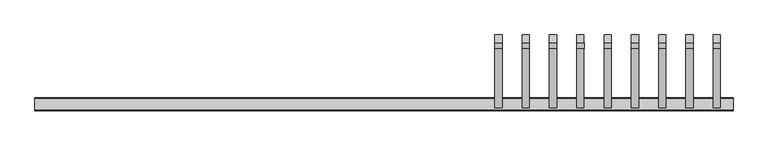
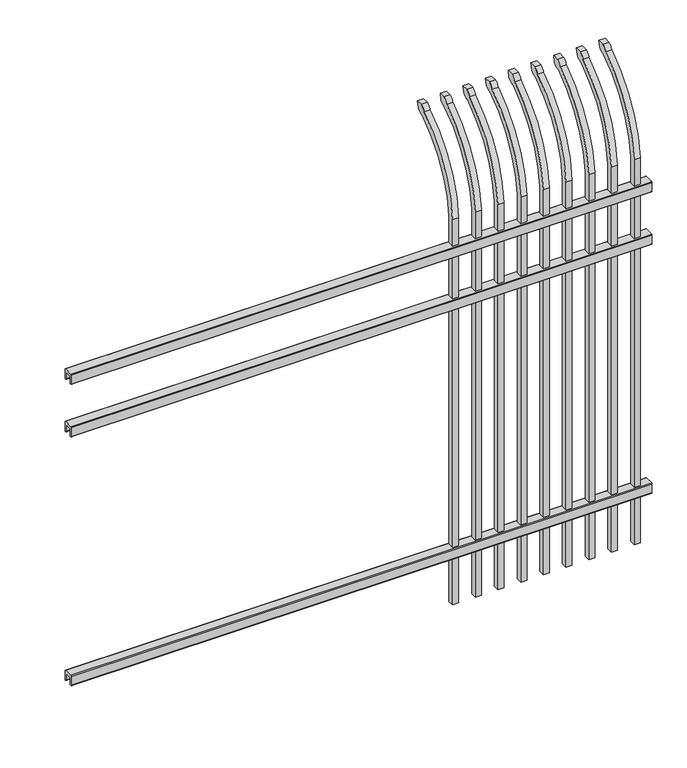
"""IFC4 building model written with IfcOpenShell, lengths in millimetres: railing geometry."""

from ifc_helpers import new_model, si_unit, point, frame, frame_2d, origin, place, context, project, spatial, polyline, circle_curve, ellipse_curve, trimmed, segment, composite_curve, outline, extrude, source, transform, mapped, element, save
from ifc_brep_helpers import plane_surface, cylinder_surface, revolved_surface, extruded_surface, advanced_brep


def railing_a6bd6695(model_context):
    return source(origin(), model_context, "Body", "SolidModel", [
        extrude(outline(composite_curve([segment(polyline([(13397.9139761, 304.8), (13435.969541, 304.8)]), True, "CONTINUOUS"), segment(trimmed(circle_curve(frame_2d((13435.969541, 301.625)), 3.175), [point((13435.969541, 304.8))], [point((13439.144541, 301.625))], False, "CARTESIAN"), True, "CONTINUOUS"), segment(polyline([(13439.144541, 301.625), (13439.144541, 262.1439893)]), True, "CONTINUOUS"), segment(trimmed(circle_curve(frame_2d((13437.3505518, 262.1439893)), 1.7939893), [point((13439.144541, 262.1439893))], [point((13437.3505518, 260.35))], False, "CARTESIAN"), True, "CONTINUOUS"), segment(polyline([(13437.3505518, 260.35), (13434.7590713, 260.35)]), True, "CONTINUOUS"), segment(trimmed(circle_curve(frame_2d((13434.7590713, 262.1359375)), 1.7859375), [point((13434.7590713, 260.35))], [point((13432.9755813, 262.0424688))], False, "CARTESIAN"), True, "CONTINUOUS"), segment(polyline([(13432.9755813, 262.0424688), (13431.4025867, 292.0569942), (13402.4364954, 292.0569942), (13400.8635007, 262.0424688)]), True, "CONTINUOUS"), segment(trimmed(circle_curve(frame_2d((13399.0800108, 262.1359375)), 1.7859375), [point((13400.8635007, 262.0424688))], [point((13399.0800108, 260.35))], False, "CARTESIAN"), True, "CONTINUOUS"), segment(polyline([(13399.0800108, 260.35), (13396.4804785, 260.35)]), True, "CONTINUOUS"), segment(trimmed(circle_curve(frame_2d((13396.4804785, 262.1359375)), 1.7859375), [point((13396.4804785, 260.35))], [point((13394.694541, 262.1359375))], False, "CARTESIAN"), True, "CONTINUOUS"), segment(polyline([(13394.694541, 262.1359375), (13394.694541, 301.5805649)]), True, "CONTINUOUS"), segment(trimmed(circle_curve(frame_2d((13397.9139761, 301.5805649)), 3.2194351), [point((13394.694541, 301.5805649))], [point((13397.9139761, 304.8))], False, "CARTESIAN"), True, "CONTINUOUS")], self_intersect=False)), frame((24591.7350064, 0.0, 0.0), z_axis=(1.0, 0.0, 0.0), x_axis=(0.0, 1.0, 0.0)), (0.0, 0.0, 1.0), 2438.4),
        extrude(outline(composite_curve([segment(polyline([(13397.9139761, 1408.1125), (13435.969541, 1408.1125)]), True, "CONTINUOUS"), segment(trimmed(circle_curve(frame_2d((13435.969541, 1404.9375)), 3.175), [point((13435.969541, 1408.1125))], [point((13439.144541, 1404.9375))], False, "CARTESIAN"), True, "CONTINUOUS"), segment(polyline([(13439.144541, 1404.9375), (13439.144541, 1365.4564893)]), True, "CONTINUOUS"), segment(trimmed(circle_curve(frame_2d((13437.3505518, 1365.4564893)), 1.7939893), [point((13439.144541, 1365.4564893))], [point((13437.3505518, 1363.6625))], False, "CARTESIAN"), True, "CONTINUOUS"), segment(polyline([(13437.3505518, 1363.6625), (13434.7590713, 1363.6625)]), True, "CONTINUOUS"), segment(trimmed(circle_curve(frame_2d((13434.7590713, 1365.4484375)), 1.7859375), [point((13434.7590713, 1363.6625))], [point((13432.9755813, 1365.3549688))], False, "CARTESIAN"), True, "CONTINUOUS"), segment(polyline([(13432.9755813, 1365.3549688), (13431.4025867, 1395.3694942), (13402.4364954, 1395.3694942), (13400.8635007, 1365.3549688)]), True, "CONTINUOUS"), segment(trimmed(circle_curve(frame_2d((13399.0800108, 1365.4484375)), 1.7859375), [point((13400.8635007, 1365.3549688))], [point((13399.0800108, 1363.6625))], False, "CARTESIAN"), True, "CONTINUOUS"), segment(polyline([(13399.0800108, 1363.6625), (13396.4804785, 1363.6625)]), True, "CONTINUOUS"), segment(trimmed(circle_curve(frame_2d((13396.4804785, 1365.4484375)), 1.7859375), [point((13396.4804785, 1363.6625))], [point((13394.694541, 1365.4484375))], False, "CARTESIAN"), True, "CONTINUOUS"), segment(polyline([(13394.694541, 1365.4484375), (13394.694541, 1404.8930649)]), True, "CONTINUOUS"), segment(trimmed(circle_curve(frame_2d((13397.9139761, 1404.8930649)), 3.2194351), [point((13394.694541, 1404.8930649))], [point((13397.9139761, 1408.1125))], False, "CARTESIAN"), True, "CONTINUOUS")], self_intersect=False)), frame((24591.7350064, 0.0, 0.0), z_axis=(1.0, 0.0, 0.0), x_axis=(0.0, 1.0, 0.0)), (0.0, 0.0, 1.0), 2438.4),
        extrude(outline(composite_curve([segment(polyline([(13397.9139761, 1641.475), (13435.969541, 1641.475)]), True, "CONTINUOUS"), segment(trimmed(circle_curve(frame_2d((13435.969541, 1638.3)), 3.175), [point((13435.969541, 1641.475))], [point((13439.144541, 1638.3))], False, "CARTESIAN"), True, "CONTINUOUS"), segment(polyline([(13439.144541, 1638.3), (13439.144541, 1598.8189893)]), True, "CONTINUOUS"), segment(trimmed(circle_curve(frame_2d((13437.3505518, 1598.8189893)), 1.7939893), [point((13439.144541, 1598.8189893))], [point((13437.3505518, 1597.025))], False, "CARTESIAN"), True, "CONTINUOUS"), segment(polyline([(13437.3505518, 1597.025), (13434.7590713, 1597.025)]), True, "CONTINUOUS"), segment(trimmed(circle_curve(frame_2d((13434.7590713, 1598.8109375)), 1.7859375), [point((13434.7590713, 1597.025))], [point((13432.9755813, 1598.7174688))], False, "CARTESIAN"), True, "CONTINUOUS"), segment(polyline([(13432.9755813, 1598.7174688), (13431.4025867, 1628.7319942), (13402.4364954, 1628.7319942), (13400.8635007, 1598.7174688)]), True, "CONTINUOUS"), segment(trimmed(circle_curve(frame_2d((13399.0800108, 1598.8109375)), 1.7859375), [point((13400.8635007, 1598.7174688))], [point((13399.0800108, 1597.025))], False, "CARTESIAN"), True, "CONTINUOUS"), segment(polyline([(13399.0800108, 1597.025), (13396.4804785, 1597.025)]), True, "CONTINUOUS"), segment(trimmed(circle_curve(frame_2d((13396.4804785, 1598.8109375)), 1.7859375), [point((13396.4804785, 1597.025))], [point((13394.694541, 1598.8109375))], False, "CARTESIAN"), True, "CONTINUOUS"), segment(polyline([(13394.694541, 1598.8109375), (13394.694541, 1638.2555649)]), True, "CONTINUOUS"), segment(trimmed(circle_curve(frame_2d((13397.9139761, 1638.2555649)), 3.2194351), [point((13394.694541, 1638.2555649))], [point((13397.9139761, 1641.475))], False, "CARTESIAN"), True, "CONTINUOUS")], self_intersect=False)), frame((24591.7350064, 0.0, 0.0), z_axis=(1.0, 0.0, 0.0), x_axis=(0.0, 1.0, 0.0)), (0.0, 0.0, 1.0), 2438.4),
        advanced_brep(
        [(26985.6850064, 13429.619541, 50.8), (26985.6850064, 13429.619541, 1759.1226889), (26985.6850064, 13626.7326851, 2091.3022378), (26985.6850064, 13653.2407099, 2105.9867549), (26985.6850064, 13659.1100864, 2133.6), (26985.6850064, 13630.8799449, 2133.6), (26985.6850064, 13611.4931591, 2112.6682561), (26985.6850064, 13404.219541, 1759.1226889), (26985.6850064, 13404.219541, 50.8), (26960.2850064, 13429.619541, 50.8), (26960.2850064, 13429.619541, 1759.1226889), (26960.2850064, 13404.219541, 1759.1226889), (26960.2850064, 13404.219541, 50.8), (26960.2850064, 13611.4931591, 2112.6682561), (26960.2850064, 13630.8799449, 2133.6), (26960.2850064, 13659.1100864, 2133.6), (26960.2850064, 13653.2407099, 2105.9867549), (26960.2850064, 13626.7326851, 2091.3022378)],
        [
            (0, 1),
            (1, 2, circle_curve(frame((26985.6850064, 13866.9874207, 1724.1640776), z_axis=(-1.0, 0.0, 0.0), x_axis=(0.0, 1.0, 0.0)), 438.7627681)),
            (2, 3, ellipse_curve(frame((26985.6850064, 13634.5579376, 2113.7180619), z_axis=(1.0, 0.0, 0.0), x_axis=(0.0, -0.7771459614569761, -0.6293203910498311)), 26.7460194, 19.05)),
            (3, 4),
            (4, 5),
            (5, 6, ellipse_curve(frame((26985.6850064, 13634.5579376, 2113.7180619), z_axis=(0.9999999999999999, 0.0, 0.0), x_axis=(0.0, -0.7771459614569769, -0.62932039104983)), 26.7460194, 19.05)),
            (6, 7, circle_curve(frame((26985.6850064, 13866.0333244, 1725.9065933), z_axis=(1.0, 0.0, 0.0), x_axis=(0.0, 1.0, 0.0)), 463.0067812)),
            (7, 8),
            (8, 0),
            (0, 9),
            (9, 10),
            (10, 1),
            (7, 11),
            (11, 12),
            (12, 8),
            (12, 9),
            (11, 13, circle_curve(frame((26960.2850064, 13866.0333244, 1725.9065933), z_axis=(-1.0, 0.0, 0.0), x_axis=(0.0, 1.0, 0.0)), 463.0067812)),
            (13, 14, ellipse_curve(frame((26960.2850064, 13634.5579376, 2113.7180619), z_axis=(-0.9999999999999999, 0.0, 0.0), x_axis=(0.0, -0.7771459614569769, -0.62932039104983)), 26.7460194, 19.05)),
            (14, 15),
            (15, 16),
            (16, 17, ellipse_curve(frame((26960.2850064, 13634.5579376, 2113.7180619), z_axis=(-1.0, 0.0, 0.0), x_axis=(0.0, -0.7771459614569761, -0.6293203910498311)), 26.7460194, 19.05)),
            (17, 10, circle_curve(frame((26960.2850064, 13866.9874207, 1724.1640776), z_axis=(1.0, 0.0, 0.0), x_axis=(0.0, 1.0, 0.0)), 438.7627681)),
            (17, 2),
            (16, 3),
            (15, 4),
            (14, 5),
            (13, 6),
        ],
        [
            plane_surface(frame((26985.6850064, 13429.619541, 50.8), z_axis=(1.0, 0.0, 0.0), x_axis=(0.0, 0.0, 1.0))),
            plane_surface(frame((26985.6850064, 13429.619541, 50.8), z_axis=(0.0, 1.0, 0.0), x_axis=(-1.0, 0.0, 0.0))),
            plane_surface(frame((26985.6850064, 13404.219541, 1759.1226889), z_axis=(0.0, -1.0, 0.0), x_axis=(-1.0, 0.0, 0.0))),
            plane_surface(frame((26985.6850064, 13404.219541, 50.8), z_axis=(0.0, 0.0, -1.0), x_axis=(-1.0, 0.0, 0.0))),
            plane_surface(frame((26960.2850064, 13429.619541, 50.8), z_axis=(-1.0, 0.0, 0.0), x_axis=(0.0, 0.0, -1.0))),
            revolved_surface(polyline([(26960.2850064, 14305.750188799999, 1724.1640776), (26985.6850064, 14305.750188799999, 1724.1640776)]), (26960.2850064, 13866.9874207, 1724.1640776), (-1.0, 0.0, 0.0)),
            extruded_surface(trimmed(ellipse_curve(frame((26934.8850064, 13634.5579376, 2113.7180619), z_axis=(1.0, 0.0, 0.0), x_axis=(0.0, -0.7771459614569761, -0.6293203910498311)), 26.7460194, 19.05), [point((26934.8850064, 13626.7326851, 2091.3022378))], [point((26934.8850064, 13653.2407099, 2105.9867549))], True, "CARTESIAN"), (25.400000000001455, 0.0, 0.0), 25.400000000001455),
            plane_surface(frame((26985.6850064, 13653.2407099, 2105.9867549), z_axis=(0.0, 0.9781476007338014, -0.20791169081777983), x_axis=(-1.0, 0.0, 0.0))),
            plane_surface(frame((26985.6850064, 13659.1100864, 2133.6), z_axis=(0.0, 0.0, 1.0), x_axis=(-1.0, 0.0, 0.0))),
            extruded_surface(trimmed(ellipse_curve(frame((26934.8850064, 13634.5579376, 2113.7180619), z_axis=(0.9999999999999999, 0.0, 0.0), x_axis=(0.0, -0.7771459614569769, -0.62932039104983)), 26.7460194, 19.05), [point((26934.8850064, 13630.8799449, 2133.6))], [point((26934.8850064, 13611.4931591, 2112.6682561))], True, "CARTESIAN"), (25.400000000001455, 0.0, 0.0), 25.400000000001455),
            cylinder_surface(frame((26960.2850064, 13866.0333244, 1725.9065933), z_axis=(1.0, 0.0, 0.0), x_axis=(0.0, 1.0, 0.0)), 463.0067812),
        ],
        [
            (0, [[1, 2, 3, 4, 5, 6, 7, 8, 9]]),
            (1, [[-1, 10, 11, 12]]),
            (2, [[-8, 13, 14, 15]]),
            (3, [[-9, -15, 16, -10]]),
            (4, [[-16, -14, 17, 18, 19, 20, 21, 22, -11]]),
            (5, [[-2, -12, -22, 23]]),
            (6, [[-3, -23, -21, 24]]),
            (7, [[-4, -24, -20, 25]]),
            (8, [[-5, -25, -19, 26]]),
            (9, [[-6, -26, -18, 27]]),
            (10, [[-7, -27, -17, -13]]),
        ],
    ),
        advanced_brep(
        [(26890.4350064, 13429.619541, 50.8), (26890.4350064, 13429.619541, 1759.1226889), (26890.4350064, 13626.7326851, 2091.3022378), (26890.4350064, 13653.2407099, 2105.9867549), (26890.4350064, 13659.1100864, 2133.6), (26890.4350064, 13630.8799449, 2133.6), (26890.4350064, 13611.4931591, 2112.6682561), (26890.4350064, 13404.219541, 1759.1226889), (26890.4350064, 13404.219541, 50.8), (26865.0350064, 13429.619541, 50.8), (26865.0350064, 13429.619541, 1759.1226889), (26865.0350064, 13404.219541, 1759.1226889), (26865.0350064, 13404.219541, 50.8), (26865.0350064, 13611.4931591, 2112.6682561), (26865.0350064, 13630.8799449, 2133.6), (26865.0350064, 13659.1100864, 2133.6), (26865.0350064, 13653.2407099, 2105.9867549), (26865.0350064, 13626.7326851, 2091.3022378)],
        [
            (0, 1),
            (1, 2, circle_curve(frame((26890.4350064, 13866.9874207, 1724.1640776), z_axis=(-1.0, 0.0, 0.0), x_axis=(0.0, 1.0, 0.0)), 438.7627681)),
            (2, 3, ellipse_curve(frame((26890.4350064, 13634.5579376, 2113.7180619), z_axis=(1.0, 0.0, 0.0), x_axis=(0.0, -0.7771459614569761, -0.6293203910498311)), 26.7460194, 19.05)),
            (3, 4),
            (4, 5),
            (5, 6, ellipse_curve(frame((26890.4350064, 13634.5579376, 2113.7180619), z_axis=(0.9999999999999999, 0.0, 0.0), x_axis=(0.0, -0.7771459614569769, -0.62932039104983)), 26.7460194, 19.05)),
            (6, 7, circle_curve(frame((26890.4350064, 13866.0333244, 1725.9065933), z_axis=(1.0, 0.0, 0.0), x_axis=(0.0, 1.0, 0.0)), 463.0067812)),
            (7, 8),
            (8, 0),
            (0, 9),
            (9, 10),
            (10, 1),
            (7, 11),
            (11, 12),
            (12, 8),
            (12, 9),
            (11, 13, circle_curve(frame((26865.0350064, 13866.0333244, 1725.9065933), z_axis=(-1.0, 0.0, 0.0), x_axis=(0.0, 1.0, 0.0)), 463.0067812)),
            (13, 14, ellipse_curve(frame((26865.0350064, 13634.5579376, 2113.7180619), z_axis=(-0.9999999999999999, 0.0, 0.0), x_axis=(0.0, -0.7771459614569769, -0.62932039104983)), 26.7460194, 19.05)),
            (14, 15),
            (15, 16),
            (16, 17, ellipse_curve(frame((26865.0350064, 13634.5579376, 2113.7180619), z_axis=(-1.0, 0.0, 0.0), x_axis=(0.0, -0.7771459614569761, -0.6293203910498311)), 26.7460194, 19.05)),
            (17, 10, circle_curve(frame((26865.0350064, 13866.9874207, 1724.1640776), z_axis=(1.0, 0.0, 0.0), x_axis=(0.0, 1.0, 0.0)), 438.7627681)),
            (17, 2),
            (16, 3),
            (15, 4),
            (14, 5),
            (13, 6),
        ],
        [
            plane_surface(frame((26890.4350064, 13429.619541, 50.8), z_axis=(1.0, 0.0, 0.0), x_axis=(0.0, 0.0, 1.0))),
            plane_surface(frame((26890.4350064, 13429.619541, 50.8), z_axis=(0.0, 1.0, 0.0), x_axis=(-1.0, 0.0, 0.0))),
            plane_surface(frame((26890.4350064, 13404.219541, 1759.1226889), z_axis=(0.0, -1.0, 0.0), x_axis=(-1.0, 0.0, 0.0))),
            plane_surface(frame((26890.4350064, 13404.219541, 50.8), z_axis=(0.0, 0.0, -1.0), x_axis=(-1.0, 0.0, 0.0))),
            plane_surface(frame((26865.0350064, 13429.619541, 50.8), z_axis=(-1.0, 0.0, 0.0), x_axis=(0.0, 0.0, -1.0))),
            revolved_surface(polyline([(26865.0350064, 14305.750188799999, 1724.1640776), (26890.4350064, 14305.750188799999, 1724.1640776)]), (26865.0350064, 13866.9874207, 1724.1640776), (-1.0, 0.0, 0.0)),
            extruded_surface(trimmed(ellipse_curve(frame((26839.6350064, 13634.5579376, 2113.7180619), z_axis=(1.0, 0.0, 0.0), x_axis=(0.0, -0.7771459614569761, -0.6293203910498311)), 26.7460194, 19.05), [point((26839.6350064, 13626.7326851, 2091.3022378))], [point((26839.6350064, 13653.2407099, 2105.9867549))], True, "CARTESIAN"), (25.400000000001455, 0.0, 0.0), 25.400000000001455),
            plane_surface(frame((26890.4350064, 13653.2407099, 2105.9867549), z_axis=(0.0, 0.9781476007338014, -0.20791169081777983), x_axis=(-1.0, 0.0, 0.0))),
            plane_surface(frame((26890.4350064, 13659.1100864, 2133.6), z_axis=(0.0, 0.0, 1.0), x_axis=(-1.0, 0.0, 0.0))),
            extruded_surface(trimmed(ellipse_curve(frame((26839.6350064, 13634.5579376, 2113.7180619), z_axis=(0.9999999999999999, 0.0, 0.0), x_axis=(0.0, -0.7771459614569769, -0.62932039104983)), 26.7460194, 19.05), [point((26839.6350064, 13630.8799449, 2133.6))], [point((26839.6350064, 13611.4931591, 2112.6682561))], True, "CARTESIAN"), (25.400000000001455, 0.0, 0.0), 25.400000000001455),
            cylinder_surface(frame((26865.0350064, 13866.0333244, 1725.9065933), z_axis=(1.0, 0.0, 0.0), x_axis=(0.0, 1.0, 0.0)), 463.0067812),
        ],
        [
            (0, [[1, 2, 3, 4, 5, 6, 7, 8, 9]]),
            (1, [[-1, 10, 11, 12]]),
            (2, [[-8, 13, 14, 15]]),
            (3, [[-9, -15, 16, -10]]),
            (4, [[-16, -14, 17, 18, 19, 20, 21, 22, -11]]),
            (5, [[-2, -12, -22, 23]]),
            (6, [[-3, -23, -21, 24]]),
            (7, [[-4, -24, -20, 25]]),
            (8, [[-5, -25, -19, 26]]),
            (9, [[-6, -26, -18, 27]]),
            (10, [[-7, -27, -17, -13]]),
        ],
    ),
        advanced_brep(
        [(26795.1850064, 13429.619541, 50.8), (26795.1850064, 13429.619541, 1759.1226889), (26795.1850064, 13626.7326851, 2091.3022378), (26795.1850064, 13653.2407099, 2105.9867549), (26795.1850064, 13659.1100864, 2133.6), (26795.1850064, 13630.8799449, 2133.6), (26795.1850064, 13611.4931591, 2112.6682561), (26795.1850064, 13404.219541, 1759.1226889), (26795.1850064, 13404.219541, 50.8), (26769.7850064, 13429.619541, 50.8), (26769.7850064, 13429.619541, 1759.1226889), (26769.7850064, 13404.219541, 1759.1226889), (26769.7850064, 13404.219541, 50.8), (26769.7850064, 13611.4931591, 2112.6682561), (26769.7850064, 13630.8799449, 2133.6), (26769.7850064, 13659.1100864, 2133.6), (26769.7850064, 13653.2407099, 2105.9867549), (26769.7850064, 13626.7326851, 2091.3022378)],
        [
            (0, 1),
            (1, 2, circle_curve(frame((26795.1850064, 13866.9874207, 1724.1640776), z_axis=(-1.0, 0.0, 0.0), x_axis=(0.0, 1.0, 0.0)), 438.7627681)),
            (2, 3, ellipse_curve(frame((26795.1850064, 13634.5579376, 2113.7180619), z_axis=(1.0, 0.0, 0.0), x_axis=(0.0, -0.7771459614569761, -0.6293203910498311)), 26.7460194, 19.05)),
            (3, 4),
            (4, 5),
            (5, 6, ellipse_curve(frame((26795.1850064, 13634.5579376, 2113.7180619), z_axis=(0.9999999999999999, 0.0, 0.0), x_axis=(0.0, -0.7771459614569769, -0.62932039104983)), 26.7460194, 19.05)),
            (6, 7, circle_curve(frame((26795.1850064, 13866.0333244, 1725.9065933), z_axis=(1.0, 0.0, 0.0), x_axis=(0.0, 1.0, 0.0)), 463.0067812)),
            (7, 8),
            (8, 0),
            (0, 9),
            (9, 10),
            (10, 1),
            (7, 11),
            (11, 12),
            (12, 8),
            (12, 9),
            (11, 13, circle_curve(frame((26769.7850064, 13866.0333244, 1725.9065933), z_axis=(-1.0, 0.0, 0.0), x_axis=(0.0, 1.0, 0.0)), 463.0067812)),
            (13, 14, ellipse_curve(frame((26769.7850064, 13634.5579376, 2113.7180619), z_axis=(-0.9999999999999999, 0.0, 0.0), x_axis=(0.0, -0.7771459614569769, -0.62932039104983)), 26.7460194, 19.05)),
            (14, 15),
            (15, 16),
            (16, 17, ellipse_curve(frame((26769.7850064, 13634.5579376, 2113.7180619), z_axis=(-1.0, 0.0, 0.0), x_axis=(0.0, -0.7771459614569761, -0.6293203910498311)), 26.7460194, 19.05)),
            (17, 10, circle_curve(frame((26769.7850064, 13866.9874207, 1724.1640776), z_axis=(1.0, 0.0, 0.0), x_axis=(0.0, 1.0, 0.0)), 438.7627681)),
            (17, 2),
            (16, 3),
            (15, 4),
            (14, 5),
            (13, 6),
        ],
        [
            plane_surface(frame((26795.1850064, 13429.619541, 50.8), z_axis=(1.0, 0.0, 0.0), x_axis=(0.0, 0.0, 1.0))),
            plane_surface(frame((26795.1850064, 13429.619541, 50.8), z_axis=(0.0, 1.0, 0.0), x_axis=(-1.0, 0.0, 0.0))),
            plane_surface(frame((26795.1850064, 13404.219541, 1759.1226889), z_axis=(0.0, -1.0, 0.0), x_axis=(-1.0, 0.0, 0.0))),
            plane_surface(frame((26795.1850064, 13404.219541, 50.8), z_axis=(0.0, 0.0, -1.0), x_axis=(-1.0, 0.0, 0.0))),
            plane_surface(frame((26769.7850064, 13429.619541, 50.8), z_axis=(-1.0, 0.0, 0.0), x_axis=(0.0, 0.0, -1.0))),
            revolved_surface(polyline([(26769.7850064, 14305.750188799999, 1724.1640776), (26795.1850064, 14305.750188799999, 1724.1640776)]), (26769.7850064, 13866.9874207, 1724.1640776), (-1.0, 0.0, 0.0)),
            extruded_surface(trimmed(ellipse_curve(frame((26744.3850064, 13634.5579376, 2113.7180619), z_axis=(1.0, 0.0, 0.0), x_axis=(0.0, -0.7771459614569761, -0.6293203910498311)), 26.7460194, 19.05), [point((26744.3850064, 13626.7326851, 2091.3022378))], [point((26744.3850064, 13653.2407099, 2105.9867549))], True, "CARTESIAN"), (25.400000000001455, 0.0, 0.0), 25.400000000001455),
            plane_surface(frame((26795.1850064, 13653.2407099, 2105.9867549), z_axis=(0.0, 0.9781476007338014, -0.20791169081777983), x_axis=(-1.0, 0.0, 0.0))),
            plane_surface(frame((26795.1850064, 13659.1100864, 2133.6), z_axis=(0.0, 0.0, 1.0), x_axis=(-1.0, 0.0, 0.0))),
            extruded_surface(trimmed(ellipse_curve(frame((26744.3850064, 13634.5579376, 2113.7180619), z_axis=(0.9999999999999999, 0.0, 0.0), x_axis=(0.0, -0.7771459614569769, -0.62932039104983)), 26.7460194, 19.05), [point((26744.3850064, 13630.8799449, 2133.6))], [point((26744.3850064, 13611.4931591, 2112.6682561))], True, "CARTESIAN"), (25.400000000001455, 0.0, 0.0), 25.400000000001455),
            cylinder_surface(frame((26769.7850064, 13866.0333244, 1725.9065933), z_axis=(1.0, 0.0, 0.0), x_axis=(0.0, 1.0, 0.0)), 463.0067812),
        ],
        [
            (0, [[1, 2, 3, 4, 5, 6, 7, 8, 9]]),
            (1, [[-1, 10, 11, 12]]),
            (2, [[-8, 13, 14, 15]]),
            (3, [[-9, -15, 16, -10]]),
            (4, [[-16, -14, 17, 18, 19, 20, 21, 22, -11]]),
            (5, [[-2, -12, -22, 23]]),
            (6, [[-3, -23, -21, 24]]),
            (7, [[-4, -24, -20, 25]]),
            (8, [[-5, -25, -19, 26]]),
            (9, [[-6, -26, -18, 27]]),
            (10, [[-7, -27, -17, -13]]),
        ],
    ),
        advanced_brep(
        [(26699.9350064, 13429.619541, 50.8), (26699.9350064, 13429.619541, 1759.1226889), (26699.9350064, 13626.7326851, 2091.3022378), (26699.9350064, 13653.2407099, 2105.9867549), (26699.9350064, 13659.1100864, 2133.6), (26699.9350064, 13630.8799449, 2133.6), (26699.9350064, 13611.4931591, 2112.6682561), (26699.9350064, 13404.219541, 1759.1226889), (26699.9350064, 13404.219541, 50.8), (26674.5350064, 13429.619541, 50.8), (26674.5350064, 13429.619541, 1759.1226889), (26674.5350064, 13404.219541, 1759.1226889), (26674.5350064, 13404.219541, 50.8), (26674.5350064, 13611.4931591, 2112.6682561), (26674.5350064, 13630.8799449, 2133.6), (26674.5350064, 13659.1100864, 2133.6), (26674.5350064, 13653.2407099, 2105.9867549), (26674.5350064, 13626.7326851, 2091.3022378)],
        [
            (0, 1),
            (1, 2, circle_curve(frame((26699.9350064, 13866.9874207, 1724.1640776), z_axis=(-1.0, 0.0, 0.0), x_axis=(0.0, 1.0, 0.0)), 438.7627681)),
            (2, 3, ellipse_curve(frame((26699.9350064, 13634.5579376, 2113.7180619), z_axis=(1.0, 0.0, 0.0), x_axis=(0.0, -0.7771459614569761, -0.6293203910498311)), 26.7460194, 19.05)),
            (3, 4),
            (4, 5),
            (5, 6, ellipse_curve(frame((26699.9350064, 13634.5579376, 2113.7180619), z_axis=(0.9999999999999999, 0.0, 0.0), x_axis=(0.0, -0.7771459614569769, -0.62932039104983)), 26.7460194, 19.05)),
            (6, 7, circle_curve(frame((26699.9350064, 13866.0333244, 1725.9065933), z_axis=(1.0, 0.0, 0.0), x_axis=(0.0, 1.0, 0.0)), 463.0067812)),
            (7, 8),
            (8, 0),
            (0, 9),
            (9, 10),
            (10, 1),
            (7, 11),
            (11, 12),
            (12, 8),
            (12, 9),
            (11, 13, circle_curve(frame((26674.5350064, 13866.0333244, 1725.9065933), z_axis=(-1.0, 0.0, 0.0), x_axis=(0.0, 1.0, 0.0)), 463.0067812)),
            (13, 14, ellipse_curve(frame((26674.5350064, 13634.5579376, 2113.7180619), z_axis=(-0.9999999999999999, 0.0, 0.0), x_axis=(0.0, -0.7771459614569769, -0.62932039104983)), 26.7460194, 19.05)),
            (14, 15),
            (15, 16),
            (16, 17, ellipse_curve(frame((26674.5350064, 13634.5579376, 2113.7180619), z_axis=(-1.0, 0.0, 0.0), x_axis=(0.0, -0.7771459614569761, -0.6293203910498311)), 26.7460194, 19.05)),
            (17, 10, circle_curve(frame((26674.5350064, 13866.9874207, 1724.1640776), z_axis=(1.0, 0.0, 0.0), x_axis=(0.0, 1.0, 0.0)), 438.7627681)),
            (17, 2),
            (16, 3),
            (15, 4),
            (14, 5),
            (13, 6),
        ],
        [
            plane_surface(frame((26699.9350064, 13429.619541, 50.8), z_axis=(1.0, 0.0, 0.0), x_axis=(0.0, 0.0, 1.0))),
            plane_surface(frame((26699.9350064, 13429.619541, 50.8), z_axis=(0.0, 1.0, 0.0), x_axis=(-1.0, 0.0, 0.0))),
            plane_surface(frame((26699.9350064, 13404.219541, 1759.1226889), z_axis=(0.0, -1.0, 0.0), x_axis=(-1.0, 0.0, 0.0))),
            plane_surface(frame((26699.9350064, 13404.219541, 50.8), z_axis=(0.0, 0.0, -1.0), x_axis=(-1.0, 0.0, 0.0))),
            plane_surface(frame((26674.5350064, 13429.619541, 50.8), z_axis=(-1.0, 0.0, 0.0), x_axis=(0.0, 0.0, -1.0))),
            revolved_surface(polyline([(26674.5350064, 14305.750188799999, 1724.1640776), (26699.9350064, 14305.750188799999, 1724.1640776)]), (26674.5350064, 13866.9874207, 1724.1640776), (-1.0, 0.0, 0.0)),
            extruded_surface(trimmed(ellipse_curve(frame((26649.1350064, 13634.5579376, 2113.7180619), z_axis=(1.0, 0.0, 0.0), x_axis=(0.0, -0.7771459614569761, -0.6293203910498311)), 26.7460194, 19.05), [point((26649.1350064, 13626.7326851, 2091.3022378))], [point((26649.1350064, 13653.2407099, 2105.9867549))], True, "CARTESIAN"), (25.400000000001455, 0.0, 0.0), 25.400000000001455),
            plane_surface(frame((26699.9350064, 13653.2407099, 2105.9867549), z_axis=(0.0, 0.9781476007338014, -0.20791169081777983), x_axis=(-1.0, 0.0, 0.0))),
            plane_surface(frame((26699.9350064, 13659.1100864, 2133.6), z_axis=(0.0, 0.0, 1.0), x_axis=(-1.0, 0.0, 0.0))),
            extruded_surface(trimmed(ellipse_curve(frame((26649.1350064, 13634.5579376, 2113.7180619), z_axis=(0.9999999999999999, 0.0, 0.0), x_axis=(0.0, -0.7771459614569769, -0.62932039104983)), 26.7460194, 19.05), [point((26649.1350064, 13630.8799449, 2133.6))], [point((26649.1350064, 13611.4931591, 2112.6682561))], True, "CARTESIAN"), (25.400000000001455, 0.0, 0.0), 25.400000000001455),
            cylinder_surface(frame((26674.5350064, 13866.0333244, 1725.9065933), z_axis=(1.0, 0.0, 0.0), x_axis=(0.0, 1.0, 0.0)), 463.0067812),
        ],
        [
            (0, [[1, 2, 3, 4, 5, 6, 7, 8, 9]]),
            (1, [[-1, 10, 11, 12]]),
            (2, [[-8, 13, 14, 15]]),
            (3, [[-9, -15, 16, -10]]),
            (4, [[-16, -14, 17, 18, 19, 20, 21, 22, -11]]),
            (5, [[-2, -12, -22, 23]]),
            (6, [[-3, -23, -21, 24]]),
            (7, [[-4, -24, -20, 25]]),
            (8, [[-5, -25, -19, 26]]),
            (9, [[-6, -26, -18, 27]]),
            (10, [[-7, -27, -17, -13]]),
        ],
    ),
        advanced_brep(
        [(26604.6850064, 13429.619541, 50.8), (26604.6850064, 13429.619541, 1759.1226889), (26604.6850064, 13626.7326851, 2091.3022378), (26604.6850064, 13653.2407099, 2105.9867549), (26604.6850064, 13659.1100864, 2133.6), (26604.6850064, 13630.8799449, 2133.6), (26604.6850064, 13611.4931591, 2112.6682561), (26604.6850064, 13404.219541, 1759.1226889), (26604.6850064, 13404.219541, 50.8), (26579.2850064, 13429.619541, 50.8), (26579.2850064, 13429.619541, 1759.1226889), (26579.2850064, 13404.219541, 1759.1226889), (26579.2850064, 13404.219541, 50.8), (26579.2850064, 13611.4931591, 2112.6682561), (26579.2850064, 13630.8799449, 2133.6), (26579.2850064, 13659.1100864, 2133.6), (26579.2850064, 13653.2407099, 2105.9867549), (26579.2850064, 13626.7326851, 2091.3022378)],
        [
            (0, 1),
            (1, 2, circle_curve(frame((26604.6850064, 13866.9874207, 1724.1640776), z_axis=(-1.0, 0.0, 0.0), x_axis=(0.0, 1.0, 0.0)), 438.7627681)),
            (2, 3, ellipse_curve(frame((26604.6850064, 13634.5579376, 2113.7180619), z_axis=(1.0, 0.0, 0.0), x_axis=(0.0, -0.7771459614569761, -0.6293203910498311)), 26.7460194, 19.05)),
            (3, 4),
            (4, 5),
            (5, 6, ellipse_curve(frame((26604.6850064, 13634.5579376, 2113.7180619), z_axis=(0.9999999999999999, 0.0, 0.0), x_axis=(0.0, -0.7771459614569769, -0.62932039104983)), 26.7460194, 19.05)),
            (6, 7, circle_curve(frame((26604.6850064, 13866.0333244, 1725.9065933), z_axis=(1.0, 0.0, 0.0), x_axis=(0.0, 1.0, 0.0)), 463.0067812)),
            (7, 8),
            (8, 0),
            (0, 9),
            (9, 10),
            (10, 1),
            (7, 11),
            (11, 12),
            (12, 8),
            (12, 9),
            (11, 13, circle_curve(frame((26579.2850064, 13866.0333244, 1725.9065933), z_axis=(-1.0, 0.0, 0.0), x_axis=(0.0, 1.0, 0.0)), 463.0067812)),
            (13, 14, ellipse_curve(frame((26579.2850064, 13634.5579376, 2113.7180619), z_axis=(-0.9999999999999999, 0.0, 0.0), x_axis=(0.0, -0.7771459614569769, -0.62932039104983)), 26.7460194, 19.05)),
            (14, 15),
            (15, 16),
            (16, 17, ellipse_curve(frame((26579.2850064, 13634.5579376, 2113.7180619), z_axis=(-1.0, 0.0, 0.0), x_axis=(0.0, -0.7771459614569761, -0.6293203910498311)), 26.7460194, 19.05)),
            (17, 10, circle_curve(frame((26579.2850064, 13866.9874207, 1724.1640776), z_axis=(1.0, 0.0, 0.0), x_axis=(0.0, 1.0, 0.0)), 438.7627681)),
            (17, 2),
            (16, 3),
            (15, 4),
            (14, 5),
            (13, 6),
        ],
        [
            plane_surface(frame((26604.6850064, 13429.619541, 50.8), z_axis=(1.0, 0.0, 0.0), x_axis=(0.0, 0.0, 1.0))),
            plane_surface(frame((26604.6850064, 13429.619541, 50.8), z_axis=(0.0, 1.0, 0.0), x_axis=(-1.0, 0.0, 0.0))),
            plane_surface(frame((26604.6850064, 13404.219541, 1759.1226889), z_axis=(0.0, -1.0, 0.0), x_axis=(-1.0, 0.0, 0.0))),
            plane_surface(frame((26604.6850064, 13404.219541, 50.8), z_axis=(0.0, 0.0, -1.0), x_axis=(-1.0, 0.0, 0.0))),
            plane_surface(frame((26579.2850064, 13429.619541, 50.8), z_axis=(-1.0, 0.0, 0.0), x_axis=(0.0, 0.0, -1.0))),
            revolved_surface(polyline([(26579.2850064, 14305.750188799999, 1724.1640776), (26604.6850064, 14305.750188799999, 1724.1640776)]), (26579.2850064, 13866.9874207, 1724.1640776), (-1.0, 0.0, 0.0)),
            extruded_surface(trimmed(ellipse_curve(frame((26553.8850064, 13634.5579376, 2113.7180619), z_axis=(1.0, 0.0, 0.0), x_axis=(0.0, -0.7771459614569761, -0.6293203910498311)), 26.7460194, 19.05), [point((26553.8850064, 13626.7326851, 2091.3022378))], [point((26553.8850064, 13653.2407099, 2105.9867549))], True, "CARTESIAN"), (25.400000000001455, 0.0, 0.0), 25.400000000001455),
            plane_surface(frame((26604.6850064, 13653.2407099, 2105.9867549), z_axis=(0.0, 0.9781476007338014, -0.20791169081777983), x_axis=(-1.0, 0.0, 0.0))),
            plane_surface(frame((26604.6850064, 13659.1100864, 2133.6), z_axis=(0.0, 0.0, 1.0), x_axis=(-1.0, 0.0, 0.0))),
            extruded_surface(trimmed(ellipse_curve(frame((26553.8850064, 13634.5579376, 2113.7180619), z_axis=(0.9999999999999999, 0.0, 0.0), x_axis=(0.0, -0.7771459614569769, -0.62932039104983)), 26.7460194, 19.05), [point((26553.8850064, 13630.8799449, 2133.6))], [point((26553.8850064, 13611.4931591, 2112.6682561))], True, "CARTESIAN"), (25.400000000001455, 0.0, 0.0), 25.400000000001455),
            cylinder_surface(frame((26579.2850064, 13866.0333244, 1725.9065933), z_axis=(1.0, 0.0, 0.0), x_axis=(0.0, 1.0, 0.0)), 463.0067812),
        ],
        [
            (0, [[1, 2, 3, 4, 5, 6, 7, 8, 9]]),
            (1, [[-1, 10, 11, 12]]),
            (2, [[-8, 13, 14, 15]]),
            (3, [[-9, -15, 16, -10]]),
            (4, [[-16, -14, 17, 18, 19, 20, 21, 22, -11]]),
            (5, [[-2, -12, -22, 23]]),
            (6, [[-3, -23, -21, 24]]),
            (7, [[-4, -24, -20, 25]]),
            (8, [[-5, -25, -19, 26]]),
            (9, [[-6, -26, -18, 27]]),
            (10, [[-7, -27, -17, -13]]),
        ],
    ),
        advanced_brep(
        [(26509.4350064, 13429.619541, 50.8), (26509.4350064, 13429.619541, 1759.1226889), (26509.4350064, 13626.7326851, 2091.3022378), (26509.4350064, 13653.2407099, 2105.9867549), (26509.4350064, 13659.1100864, 2133.6), (26509.4350064, 13630.8799449, 2133.6), (26509.4350064, 13611.4931591, 2112.6682561), (26509.4350064, 13404.219541, 1759.1226889), (26509.4350064, 13404.219541, 50.8), (26484.0350064, 13429.619541, 50.8), (26484.0350064, 13429.619541, 1759.1226889), (26484.0350064, 13404.219541, 1759.1226889), (26484.0350064, 13404.219541, 50.8), (26484.0350064, 13611.4931591, 2112.6682561), (26484.0350064, 13630.8799449, 2133.6), (26484.0350064, 13659.1100864, 2133.6), (26484.0350064, 13653.2407099, 2105.9867549), (26484.0350064, 13626.7326851, 2091.3022378)],
        [
            (0, 1),
            (1, 2, circle_curve(frame((26509.4350064, 13866.9874207, 1724.1640776), z_axis=(-1.0, 0.0, 0.0), x_axis=(0.0, 1.0, 0.0)), 438.7627681)),
            (2, 3, ellipse_curve(frame((26509.4350064, 13634.5579376, 2113.7180619), z_axis=(1.0, 0.0, 0.0), x_axis=(0.0, -0.7771459614569761, -0.6293203910498311)), 26.7460194, 19.05)),
            (3, 4),
            (4, 5),
            (5, 6, ellipse_curve(frame((26509.4350064, 13634.5579376, 2113.7180619), z_axis=(0.9999999999999999, 0.0, 0.0), x_axis=(0.0, -0.7771459614569769, -0.62932039104983)), 26.7460194, 19.05)),
            (6, 7, circle_curve(frame((26509.4350064, 13866.0333244, 1725.9065933), z_axis=(1.0, 0.0, 0.0), x_axis=(0.0, 1.0, 0.0)), 463.0067812)),
            (7, 8),
            (8, 0),
            (0, 9),
            (9, 10),
            (10, 1),
            (7, 11),
            (11, 12),
            (12, 8),
            (12, 9),
            (11, 13, circle_curve(frame((26484.0350064, 13866.0333244, 1725.9065933), z_axis=(-1.0, 0.0, 0.0), x_axis=(0.0, 1.0, 0.0)), 463.0067812)),
            (13, 14, ellipse_curve(frame((26484.0350064, 13634.5579376, 2113.7180619), z_axis=(-0.9999999999999999, 0.0, 0.0), x_axis=(0.0, -0.7771459614569769, -0.62932039104983)), 26.7460194, 19.05)),
            (14, 15),
            (15, 16),
            (16, 17, ellipse_curve(frame((26484.0350064, 13634.5579376, 2113.7180619), z_axis=(-1.0, 0.0, 0.0), x_axis=(0.0, -0.7771459614569761, -0.6293203910498311)), 26.7460194, 19.05)),
            (17, 10, circle_curve(frame((26484.0350064, 13866.9874207, 1724.1640776), z_axis=(1.0, 0.0, 0.0), x_axis=(0.0, 1.0, 0.0)), 438.7627681)),
            (17, 2),
            (16, 3),
            (15, 4),
            (14, 5),
            (13, 6),
        ],
        [
            plane_surface(frame((26509.4350064, 13429.619541, 50.8), z_axis=(1.0, 0.0, 0.0), x_axis=(0.0, 0.0, 1.0))),
            plane_surface(frame((26509.4350064, 13429.619541, 50.8), z_axis=(0.0, 1.0, 0.0), x_axis=(-1.0, 0.0, 0.0))),
            plane_surface(frame((26509.4350064, 13404.219541, 1759.1226889), z_axis=(0.0, -1.0, 0.0), x_axis=(-1.0, 0.0, 0.0))),
            plane_surface(frame((26509.4350064, 13404.219541, 50.8), z_axis=(0.0, 0.0, -1.0), x_axis=(-1.0, 0.0, 0.0))),
            plane_surface(frame((26484.0350064, 13429.619541, 50.8), z_axis=(-1.0, 0.0, 0.0), x_axis=(0.0, 0.0, -1.0))),
            revolved_surface(polyline([(26484.0350064, 14305.750188799999, 1724.1640776), (26509.4350064, 14305.750188799999, 1724.1640776)]), (26484.0350064, 13866.9874207, 1724.1640776), (-1.0, 0.0, 0.0)),
            extruded_surface(trimmed(ellipse_curve(frame((26458.6350064, 13634.5579376, 2113.7180619), z_axis=(1.0, 0.0, 0.0), x_axis=(0.0, -0.7771459614569761, -0.6293203910498311)), 26.7460194, 19.05), [point((26458.6350064, 13626.7326851, 2091.3022378))], [point((26458.6350064, 13653.2407099, 2105.9867549))], True, "CARTESIAN"), (25.400000000001455, 0.0, 0.0), 25.400000000001455),
            plane_surface(frame((26509.4350064, 13653.2407099, 2105.9867549), z_axis=(0.0, 0.9781476007338014, -0.20791169081777983), x_axis=(-1.0, 0.0, 0.0))),
            plane_surface(frame((26509.4350064, 13659.1100864, 2133.6), z_axis=(0.0, 0.0, 1.0), x_axis=(-1.0, 0.0, 0.0))),
            extruded_surface(trimmed(ellipse_curve(frame((26458.6350064, 13634.5579376, 2113.7180619), z_axis=(0.9999999999999999, 0.0, 0.0), x_axis=(0.0, -0.7771459614569769, -0.62932039104983)), 26.7460194, 19.05), [point((26458.6350064, 13630.8799449, 2133.6))], [point((26458.6350064, 13611.4931591, 2112.6682561))], True, "CARTESIAN"), (25.400000000001455, 0.0, 0.0), 25.400000000001455),
            cylinder_surface(frame((26484.0350064, 13866.0333244, 1725.9065933), z_axis=(1.0, 0.0, 0.0), x_axis=(0.0, 1.0, 0.0)), 463.0067812),
        ],
        [
            (0, [[1, 2, 3, 4, 5, 6, 7, 8, 9]]),
            (1, [[-1, 10, 11, 12]]),
            (2, [[-8, 13, 14, 15]]),
            (3, [[-9, -15, 16, -10]]),
            (4, [[-16, -14, 17, 18, 19, 20, 21, 22, -11]]),
            (5, [[-2, -12, -22, 23]]),
            (6, [[-3, -23, -21, 24]]),
            (7, [[-4, -24, -20, 25]]),
            (8, [[-5, -25, -19, 26]]),
            (9, [[-6, -26, -18, 27]]),
            (10, [[-7, -27, -17, -13]]),
        ],
    ),
        advanced_brep(
        [(26414.1850064, 13429.619541, 50.8), (26414.1850064, 13429.619541, 1759.1226889), (26414.1850064, 13626.7326851, 2091.3022378), (26414.1850064, 13653.2407099, 2105.9867549), (26414.1850064, 13659.1100864, 2133.6), (26414.1850064, 13630.8799449, 2133.6), (26414.1850064, 13611.4931591, 2112.6682561), (26414.1850064, 13404.219541, 1759.1226889), (26414.1850064, 13404.219541, 50.8), (26388.7850064, 13429.619541, 50.8), (26388.7850064, 13429.619541, 1759.1226889), (26388.7850064, 13404.219541, 1759.1226889), (26388.7850064, 13404.219541, 50.8), (26388.7850064, 13611.4931591, 2112.6682561), (26388.7850064, 13630.8799449, 2133.6), (26388.7850064, 13659.1100864, 2133.6), (26388.7850064, 13653.2407099, 2105.9867549), (26388.7850064, 13626.7326851, 2091.3022378)],
        [
            (0, 1),
            (1, 2, circle_curve(frame((26414.1850064, 13866.9874207, 1724.1640776), z_axis=(-1.0, 0.0, 0.0), x_axis=(0.0, 1.0, 0.0)), 438.7627681)),
            (2, 3, ellipse_curve(frame((26414.1850064, 13634.5579376, 2113.7180619), z_axis=(1.0, 0.0, 0.0), x_axis=(0.0, -0.7771459614569761, -0.6293203910498311)), 26.7460194, 19.05)),
            (3, 4),
            (4, 5),
            (5, 6, ellipse_curve(frame((26414.1850064, 13634.5579376, 2113.7180619), z_axis=(0.9999999999999999, 0.0, 0.0), x_axis=(0.0, -0.7771459614569769, -0.62932039104983)), 26.7460194, 19.05)),
            (6, 7, circle_curve(frame((26414.1850064, 13866.0333244, 1725.9065933), z_axis=(1.0, 0.0, 0.0), x_axis=(0.0, 1.0, 0.0)), 463.0067812)),
            (7, 8),
            (8, 0),
            (0, 9),
            (9, 10),
            (10, 1),
            (7, 11),
            (11, 12),
            (12, 8),
            (12, 9),
            (11, 13, circle_curve(frame((26388.7850064, 13866.0333244, 1725.9065933), z_axis=(-1.0, 0.0, 0.0), x_axis=(0.0, 1.0, 0.0)), 463.0067812)),
            (13, 14, ellipse_curve(frame((26388.7850064, 13634.5579376, 2113.7180619), z_axis=(-0.9999999999999999, 0.0, 0.0), x_axis=(0.0, -0.7771459614569769, -0.62932039104983)), 26.7460194, 19.05)),
            (14, 15),
            (15, 16),
            (16, 17, ellipse_curve(frame((26388.7850064, 13634.5579376, 2113.7180619), z_axis=(-1.0, 0.0, 0.0), x_axis=(0.0, -0.7771459614569761, -0.6293203910498311)), 26.7460194, 19.05)),
            (17, 10, circle_curve(frame((26388.7850064, 13866.9874207, 1724.1640776), z_axis=(1.0, 0.0, 0.0), x_axis=(0.0, 1.0, 0.0)), 438.7627681)),
            (17, 2),
            (16, 3),
            (15, 4),
            (14, 5),
            (13, 6),
        ],
        [
            plane_surface(frame((26414.1850064, 13429.619541, 50.8), z_axis=(1.0, 0.0, 0.0), x_axis=(0.0, 0.0, 1.0))),
            plane_surface(frame((26414.1850064, 13429.619541, 50.8), z_axis=(0.0, 1.0, 0.0), x_axis=(-1.0, 0.0, 0.0))),
            plane_surface(frame((26414.1850064, 13404.219541, 1759.1226889), z_axis=(0.0, -1.0, 0.0), x_axis=(-1.0, 0.0, 0.0))),
            plane_surface(frame((26414.1850064, 13404.219541, 50.8), z_axis=(0.0, 0.0, -1.0), x_axis=(-1.0, 0.0, 0.0))),
            plane_surface(frame((26388.7850064, 13429.619541, 50.8), z_axis=(-1.0, 0.0, 0.0), x_axis=(0.0, 0.0, -1.0))),
            revolved_surface(polyline([(26388.7850064, 14305.750188799999, 1724.1640776), (26414.1850064, 14305.750188799999, 1724.1640776)]), (26388.7850064, 13866.9874207, 1724.1640776), (-1.0, 0.0, 0.0)),
            extruded_surface(trimmed(ellipse_curve(frame((26363.3850064, 13634.5579376, 2113.7180619), z_axis=(1.0, 0.0, 0.0), x_axis=(0.0, -0.7771459614569761, -0.6293203910498311)), 26.7460194, 19.05), [point((26363.3850064, 13626.7326851, 2091.3022378))], [point((26363.3850064, 13653.2407099, 2105.9867549))], True, "CARTESIAN"), (25.400000000001455, 0.0, 0.0), 25.400000000001455),
            plane_surface(frame((26414.1850064, 13653.2407099, 2105.9867549), z_axis=(0.0, 0.9781476007338014, -0.20791169081777983), x_axis=(-1.0, 0.0, 0.0))),
            plane_surface(frame((26414.1850064, 13659.1100864, 2133.6), z_axis=(0.0, 0.0, 1.0), x_axis=(-1.0, 0.0, 0.0))),
            extruded_surface(trimmed(ellipse_curve(frame((26363.3850064, 13634.5579376, 2113.7180619), z_axis=(0.9999999999999999, 0.0, 0.0), x_axis=(0.0, -0.7771459614569769, -0.62932039104983)), 26.7460194, 19.05), [point((26363.3850064, 13630.8799449, 2133.6))], [point((26363.3850064, 13611.4931591, 2112.6682561))], True, "CARTESIAN"), (25.400000000001455, 0.0, 0.0), 25.400000000001455),
            cylinder_surface(frame((26388.7850064, 13866.0333244, 1725.9065933), z_axis=(1.0, 0.0, 0.0), x_axis=(0.0, 1.0, 0.0)), 463.0067812),
        ],
        [
            (0, [[1, 2, 3, 4, 5, 6, 7, 8, 9]]),
            (1, [[-1, 10, 11, 12]]),
            (2, [[-8, 13, 14, 15]]),
            (3, [[-9, -15, 16, -10]]),
            (4, [[-16, -14, 17, 18, 19, 20, 21, 22, -11]]),
            (5, [[-2, -12, -22, 23]]),
            (6, [[-3, -23, -21, 24]]),
            (7, [[-4, -24, -20, 25]]),
            (8, [[-5, -25, -19, 26]]),
            (9, [[-6, -26, -18, 27]]),
            (10, [[-7, -27, -17, -13]]),
        ],
    ),
        advanced_brep(
        [(26318.9350064, 13429.619541, 50.8), (26318.9350064, 13429.619541, 1759.1226889), (26318.9350064, 13626.7326851, 2091.3022378), (26318.9350064, 13653.2407099, 2105.9867549), (26318.9350064, 13659.1100864, 2133.6), (26318.9350064, 13630.8799449, 2133.6), (26318.9350064, 13611.4931591, 2112.6682561), (26318.9350064, 13404.219541, 1759.1226889), (26318.9350064, 13404.219541, 50.8), (26293.5350064, 13429.619541, 50.8), (26293.5350064, 13429.619541, 1759.1226889), (26293.5350064, 13404.219541, 1759.1226889), (26293.5350064, 13404.219541, 50.8), (26293.5350064, 13611.4931591, 2112.6682561), (26293.5350064, 13630.8799449, 2133.6), (26293.5350064, 13659.1100864, 2133.6), (26293.5350064, 13653.2407099, 2105.9867549), (26293.5350064, 13626.7326851, 2091.3022378)],
        [
            (0, 1),
            (1, 2, circle_curve(frame((26318.9350064, 13866.9874207, 1724.1640776), z_axis=(-1.0, 0.0, 0.0), x_axis=(0.0, 1.0, 0.0)), 438.7627681)),
            (2, 3, ellipse_curve(frame((26318.9350064, 13634.5579376, 2113.7180619), z_axis=(1.0, 0.0, 0.0), x_axis=(0.0, -0.7771459614569761, -0.6293203910498311)), 26.7460194, 19.05)),
            (3, 4),
            (4, 5),
            (5, 6, ellipse_curve(frame((26318.9350064, 13634.5579376, 2113.7180619), z_axis=(0.9999999999999999, 0.0, 0.0), x_axis=(0.0, -0.7771459614569769, -0.62932039104983)), 26.7460194, 19.05)),
            (6, 7, circle_curve(frame((26318.9350064, 13866.0333244, 1725.9065933), z_axis=(1.0, 0.0, 0.0), x_axis=(0.0, 1.0, 0.0)), 463.0067812)),
            (7, 8),
            (8, 0),
            (0, 9),
            (9, 10),
            (10, 1),
            (7, 11),
            (11, 12),
            (12, 8),
            (12, 9),
            (11, 13, circle_curve(frame((26293.5350064, 13866.0333244, 1725.9065933), z_axis=(-1.0, 0.0, 0.0), x_axis=(0.0, 1.0, 0.0)), 463.0067812)),
            (13, 14, ellipse_curve(frame((26293.5350064, 13634.5579376, 2113.7180619), z_axis=(-0.9999999999999999, 0.0, 0.0), x_axis=(0.0, -0.7771459614569769, -0.62932039104983)), 26.7460194, 19.05)),
            (14, 15),
            (15, 16),
            (16, 17, ellipse_curve(frame((26293.5350064, 13634.5579376, 2113.7180619), z_axis=(-1.0, 0.0, 0.0), x_axis=(0.0, -0.7771459614569761, -0.6293203910498311)), 26.7460194, 19.05)),
            (17, 10, circle_curve(frame((26293.5350064, 13866.9874207, 1724.1640776), z_axis=(1.0, 0.0, 0.0), x_axis=(0.0, 1.0, 0.0)), 438.7627681)),
            (17, 2),
            (16, 3),
            (15, 4),
            (14, 5),
            (13, 6),
        ],
        [
            plane_surface(frame((26318.9350064, 13429.619541, 50.8), z_axis=(1.0, 0.0, 0.0), x_axis=(0.0, 0.0, 1.0))),
            plane_surface(frame((26318.9350064, 13429.619541, 50.8), z_axis=(0.0, 1.0, 0.0), x_axis=(-1.0, 0.0, 0.0))),
            plane_surface(frame((26318.9350064, 13404.219541, 1759.1226889), z_axis=(0.0, -1.0, 0.0), x_axis=(-1.0, 0.0, 0.0))),
            plane_surface(frame((26318.9350064, 13404.219541, 50.8), z_axis=(0.0, 0.0, -1.0), x_axis=(-1.0, 0.0, 0.0))),
            plane_surface(frame((26293.5350064, 13429.619541, 50.8), z_axis=(-1.0, 0.0, 0.0), x_axis=(0.0, 0.0, -1.0))),
            revolved_surface(polyline([(26293.5350064, 14305.750188799999, 1724.1640776), (26318.9350064, 14305.750188799999, 1724.1640776)]), (26293.5350064, 13866.9874207, 1724.1640776), (-1.0, 0.0, 0.0)),
            extruded_surface(trimmed(ellipse_curve(frame((26268.1350064, 13634.5579376, 2113.7180619), z_axis=(1.0, 0.0, 0.0), x_axis=(0.0, -0.7771459614569761, -0.6293203910498311)), 26.7460194, 19.05), [point((26268.1350064, 13626.7326851, 2091.3022378))], [point((26268.1350064, 13653.2407099, 2105.9867549))], True, "CARTESIAN"), (25.400000000001455, 0.0, 0.0), 25.400000000001455),
            plane_surface(frame((26318.9350064, 13653.2407099, 2105.9867549), z_axis=(0.0, 0.9781476007338014, -0.20791169081777983), x_axis=(-1.0, 0.0, 0.0))),
            plane_surface(frame((26318.9350064, 13659.1100864, 2133.6), z_axis=(0.0, 0.0, 1.0), x_axis=(-1.0, 0.0, 0.0))),
            extruded_surface(trimmed(ellipse_curve(frame((26268.1350064, 13634.5579376, 2113.7180619), z_axis=(0.9999999999999999, 0.0, 0.0), x_axis=(0.0, -0.7771459614569769, -0.62932039104983)), 26.7460194, 19.05), [point((26268.1350064, 13630.8799449, 2133.6))], [point((26268.1350064, 13611.4931591, 2112.6682561))], True, "CARTESIAN"), (25.400000000001455, 0.0, 0.0), 25.400000000001455),
            cylinder_surface(frame((26293.5350064, 13866.0333244, 1725.9065933), z_axis=(1.0, 0.0, 0.0), x_axis=(0.0, 1.0, 0.0)), 463.0067812),
        ],
        [
            (0, [[1, 2, 3, 4, 5, 6, 7, 8, 9]]),
            (1, [[-1, 10, 11, 12]]),
            (2, [[-8, 13, 14, 15]]),
            (3, [[-9, -15, 16, -10]]),
            (4, [[-16, -14, 17, 18, 19, 20, 21, 22, -11]]),
            (5, [[-2, -12, -22, 23]]),
            (6, [[-3, -23, -21, 24]]),
            (7, [[-4, -24, -20, 25]]),
            (8, [[-5, -25, -19, 26]]),
            (9, [[-6, -26, -18, 27]]),
            (10, [[-7, -27, -17, -13]]),
        ],
    ),
        advanced_brep(
        [(26223.6850064, 13429.619541, 50.8), (26223.6850064, 13429.619541, 1759.1226889), (26223.6850064, 13626.7326851, 2091.3022378), (26223.6850064, 13653.2407099, 2105.9867549), (26223.6850064, 13659.1100864, 2133.6), (26223.6850064, 13630.8799449, 2133.6), (26223.6850064, 13611.4931591, 2112.6682561), (26223.6850064, 13404.219541, 1759.1226889), (26223.6850064, 13404.219541, 50.8), (26198.2850064, 13429.619541, 50.8), (26198.2850064, 13429.619541, 1759.1226889), (26198.2850064, 13404.219541, 1759.1226889), (26198.2850064, 13404.219541, 50.8), (26198.2850064, 13611.4931591, 2112.6682561), (26198.2850064, 13630.8799449, 2133.6), (26198.2850064, 13659.1100864, 2133.6), (26198.2850064, 13653.2407099, 2105.9867549), (26198.2850064, 13626.7326851, 2091.3022378)],
        [
            (0, 1),
            (1, 2, circle_curve(frame((26223.6850064, 13866.9874207, 1724.1640776), z_axis=(-1.0, 0.0, 0.0), x_axis=(0.0, 1.0, 0.0)), 438.7627681)),
            (2, 3, ellipse_curve(frame((26223.6850064, 13634.5579376, 2113.7180619), z_axis=(1.0, 0.0, 0.0), x_axis=(0.0, -0.7771459614569761, -0.6293203910498311)), 26.7460194, 19.05)),
            (3, 4),
            (4, 5),
            (5, 6, ellipse_curve(frame((26223.6850064, 13634.5579376, 2113.7180619), z_axis=(0.9999999999999999, 0.0, 0.0), x_axis=(0.0, -0.7771459614569769, -0.62932039104983)), 26.7460194, 19.05)),
            (6, 7, circle_curve(frame((26223.6850064, 13866.0333244, 1725.9065933), z_axis=(1.0, 0.0, 0.0), x_axis=(0.0, 1.0, 0.0)), 463.0067812)),
            (7, 8),
            (8, 0),
            (0, 9),
            (9, 10),
            (10, 1),
            (7, 11),
            (11, 12),
            (12, 8),
            (12, 9),
            (11, 13, circle_curve(frame((26198.2850064, 13866.0333244, 1725.9065933), z_axis=(-1.0, 0.0, 0.0), x_axis=(0.0, 1.0, 0.0)), 463.0067812)),
            (13, 14, ellipse_curve(frame((26198.2850064, 13634.5579376, 2113.7180619), z_axis=(-0.9999999999999999, 0.0, 0.0), x_axis=(0.0, -0.7771459614569769, -0.62932039104983)), 26.7460194, 19.05)),
            (14, 15),
            (15, 16),
            (16, 17, ellipse_curve(frame((26198.2850064, 13634.5579376, 2113.7180619), z_axis=(-1.0, 0.0, 0.0), x_axis=(0.0, -0.7771459614569761, -0.6293203910498311)), 26.7460194, 19.05)),
            (17, 10, circle_curve(frame((26198.2850064, 13866.9874207, 1724.1640776), z_axis=(1.0, 0.0, 0.0), x_axis=(0.0, 1.0, 0.0)), 438.7627681)),
            (17, 2),
            (16, 3),
            (15, 4),
            (14, 5),
            (13, 6),
        ],
        [
            plane_surface(frame((26223.6850064, 13429.619541, 50.8), z_axis=(1.0, 0.0, 0.0), x_axis=(0.0, 0.0, 1.0))),
            plane_surface(frame((26223.6850064, 13429.619541, 50.8), z_axis=(0.0, 1.0, 0.0), x_axis=(-1.0, 0.0, 0.0))),
            plane_surface(frame((26223.6850064, 13404.219541, 1759.1226889), z_axis=(0.0, -1.0, 0.0), x_axis=(-1.0, 0.0, 0.0))),
            plane_surface(frame((26223.6850064, 13404.219541, 50.8), z_axis=(0.0, 0.0, -1.0), x_axis=(-1.0, 0.0, 0.0))),
            plane_surface(frame((26198.2850064, 13429.619541, 50.8), z_axis=(-1.0, 0.0, 0.0), x_axis=(0.0, 0.0, -1.0))),
            revolved_surface(polyline([(26198.2850064, 14305.750188799999, 1724.1640776), (26223.6850064, 14305.750188799999, 1724.1640776)]), (26198.2850064, 13866.9874207, 1724.1640776), (-1.0, 0.0, 0.0)),
            extruded_surface(trimmed(ellipse_curve(frame((26172.8850064, 13634.5579376, 2113.7180619), z_axis=(1.0, 0.0, 0.0), x_axis=(0.0, -0.7771459614569761, -0.6293203910498311)), 26.7460194, 19.05), [point((26172.8850064, 13626.7326851, 2091.3022378))], [point((26172.8850064, 13653.2407099, 2105.9867549))], True, "CARTESIAN"), (25.400000000001455, 0.0, 0.0), 25.400000000001455),
            plane_surface(frame((26223.6850064, 13653.2407099, 2105.9867549), z_axis=(0.0, 0.9781476007338014, -0.20791169081777983), x_axis=(-1.0, 0.0, 0.0))),
            plane_surface(frame((26223.6850064, 13659.1100864, 2133.6), z_axis=(0.0, 0.0, 1.0), x_axis=(-1.0, 0.0, 0.0))),
            extruded_surface(trimmed(ellipse_curve(frame((26172.8850064, 13634.5579376, 2113.7180619), z_axis=(0.9999999999999999, 0.0, 0.0), x_axis=(0.0, -0.7771459614569769, -0.62932039104983)), 26.7460194, 19.05), [point((26172.8850064, 13630.8799449, 2133.6))], [point((26172.8850064, 13611.4931591, 2112.6682561))], True, "CARTESIAN"), (25.400000000001455, 0.0, 0.0), 25.400000000001455),
            cylinder_surface(frame((26198.2850064, 13866.0333244, 1725.9065933), z_axis=(1.0, 0.0, 0.0), x_axis=(0.0, 1.0, 0.0)), 463.0067812),
        ],
        [
            (0, [[1, 2, 3, 4, 5, 6, 7, 8, 9]]),
            (1, [[-1, 10, 11, 12]]),
            (2, [[-8, 13, 14, 15]]),
            (3, [[-9, -15, 16, -10]]),
            (4, [[-16, -14, 17, 18, 19, 20, 21, 22, -11]]),
            (5, [[-2, -12, -22, 23]]),
            (6, [[-3, -23, -21, 24]]),
            (7, [[-4, -24, -20, 25]]),
            (8, [[-5, -25, -19, 26]]),
            (9, [[-6, -26, -18, 27]]),
            (10, [[-7, -27, -17, -13]]),
        ],
    ),
    ])


if __name__ == "__main__":
    model = new_model("IFC4")
    model_context = context("Model", 3, world=origin())
    ifc_project = project(units=[si_unit("LENGTHUNIT", "METRE", prefix="MILLI")], contexts=[model_context])
    site = spatial("IfcSite", under=ifc_project)
    building = spatial("IfcBuilding", under=site)
    placement = place(None, origin())
    railing_shape = railing_a6bd6695(model_context)
    element("IfcRailing", 1, at=placement, inside=building, context=model_context, shape_type="MappedRepresentation", body=[
        mapped(railing_shape, transform((0.0, 0.0, 0.0), x_axis=(1.0, 0.0, 0.0), y_axis=(0.0, 1.0, 0.0), z_axis=(0.0, 0.0, 1.0))),
    ])
    save(model, "model.ifc")
